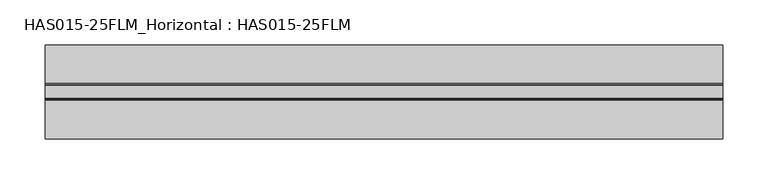
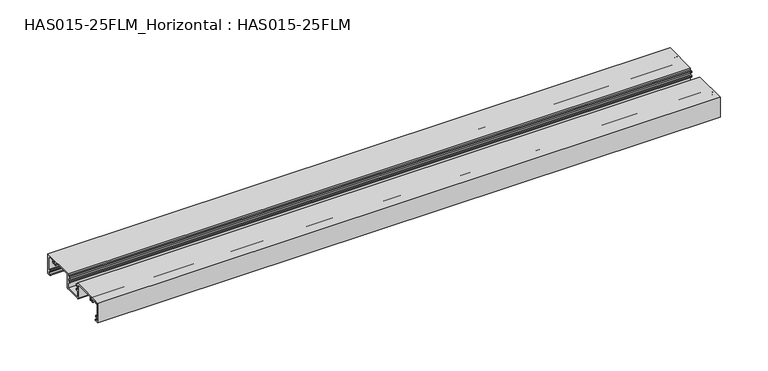
"""IFC4 building model written with IfcOpenShell, lengths in millimetres: beam geometry, HAS015-25FLM_Horizontal : HAS015-25FLM."""

from ifc_helpers import new_model, si_unit, point, frame, frame_2d, origin, place, context, project, spatial, polyline, circle_curve, trimmed, segment, composite_curve, outline, extrude, source, transform, mapped, element, save


def has015_25flm_horizontal_has015_25flm_f85ed749(model_context):
    return source(origin(), model_context, "Body", "SweptSolid", [
        extrude(outline(composite_curve([segment(polyline([(-9.7397316, -2.3590177), (-8.0332081, -2.3590177)]), True, "CONTINUOUS"), segment(trimmed(circle_curve(frame_2d((-8.0332081, -2.8609364)), 0.5019187), [point((-8.0332081, -2.3590177))], [point((-7.5312895, -2.8609364))], False, "CARTESIAN"), True, "CONTINUOUS"), segment(polyline([(-7.5312895, -2.8609364), (-7.5312895, -4.4663086)]), True, "CONTINUOUS"), segment(trimmed(circle_curve(frame_2d((-8.0332081, -4.4663086)), 0.5019187), [point((-7.5312895, -4.4663086))], [point((-8.5351268, -4.4663086))], False, "CARTESIAN"), True, "CONTINUOUS"), segment(polyline([(-8.5351268, -4.4663086), (-8.5351268, -3.6640062), (-9.940499, -3.6640062), (-9.940499, -9.0847277), (-8.5351268, -9.0847277), (-8.5351268, -8.2824253)]), True, "CONTINUOUS"), segment(trimmed(circle_curve(frame_2d((-8.0332081, -8.2824253)), 0.5019187), [point((-8.5351268, -8.2824253))], [point((-7.5312895, -8.2824253))], False, "CARTESIAN"), True, "CONTINUOUS"), segment(polyline([(-7.5312895, -8.2824253), (-7.5312895, -9.8877976)]), True, "CONTINUOUS"), segment(trimmed(circle_curve(frame_2d((-8.0332081, -9.8877976)), 0.5019187), [point((-7.5312895, -9.8877976))], [point((-8.0332081, -10.3897162))], False, "CARTESIAN"), True, "CONTINUOUS"), segment(polyline([(-8.0332081, -10.3897162), (-9.7397316, -10.3897162), (-9.7397316, -18.0188798), (9.7397316, -18.0188798), (9.7397316, -10.3897162), (8.0332081, -10.3897162)]), True, "CONTINUOUS"), segment(trimmed(circle_curve(frame_2d((8.0332081, -9.8877976)), 0.5019187), [point((8.0332081, -10.3897162))], [point((7.5312895, -9.8877976))], False, "CARTESIAN"), True, "CONTINUOUS"), segment(polyline([(7.5312895, -9.8877976), (7.5312895, -8.2824253)]), True, "CONTINUOUS"), segment(trimmed(circle_curve(frame_2d((8.0332081, -8.2824253)), 0.5019187), [point((7.5312895, -8.2824253))], [point((8.5351268, -8.2824253))], False, "CARTESIAN"), True, "CONTINUOUS"), segment(polyline([(8.5351268, -8.2824253), (8.5351268, -9.0847277), (9.940499, -9.0847277), (9.940499, -3.6640062), (8.5351268, -3.6640062), (8.5351268, -4.4663086)]), True, "CONTINUOUS"), segment(trimmed(circle_curve(frame_2d((8.0332081, -4.4663086)), 0.5019187), [point((8.5351268, -4.4663086))], [point((7.5312895, -4.4663086))], False, "CARTESIAN"), True, "CONTINUOUS"), segment(polyline([(7.5312895, -4.4663086), (7.5312895, -2.8609364)]), True, "CONTINUOUS"), segment(trimmed(circle_curve(frame_2d((8.0332081, -2.8609364)), 0.5019187), [point((7.5312895, -2.8609364))], [point((8.0332081, -2.3590177))], False, "CARTESIAN"), True, "CONTINUOUS"), segment(polyline([(8.0332081, -2.3590177), (9.7397316, -2.3590177), (9.7397316, 0.0), (51.998773, 0.0), (51.998773, -25.0959329), (47.6822725, -25.0959329)]), True, "CONTINUOUS"), segment(trimmed(circle_curve(frame_2d((47.6822725, -24.3932468)), 0.7026861), [point((47.6822725, -25.0959329))], [point((47.6822725, -23.6905607))], False, "CARTESIAN"), True, "CONTINUOUS"), segment(polyline([(47.6822725, -23.6905607), (50.6435926, -23.6905607), (50.6435926, -20.4280894), (48.9370692, -20.4280894)]), True, "CONTINUOUS"), segment(trimmed(circle_curve(frame_2d((48.9370692, -19.6250195)), 0.8030699), [point((48.9370692, -20.4280894))], [point((48.1339993, -19.6250195))], False, "CARTESIAN"), True, "CONTINUOUS"), segment(polyline([(48.1339993, -19.6250195), (48.1339993, -18.4204148)]), True, "CONTINUOUS"), segment(trimmed(circle_curve(frame_2d((48.635918, -18.4204148)), 0.5019187), [point((48.1339993, -18.4204148))], [point((49.1378366, -18.4204148))], False, "CARTESIAN"), True, "CONTINUOUS"), segment(polyline([(49.1378366, -18.4204148), (49.1378366, -19.4242521), (50.6435926, -19.4242521), (50.6435926, -1.3551804), (49.1378366, -1.3551804), (49.1378366, -2.3590177)]), True, "CONTINUOUS"), segment(trimmed(circle_curve(frame_2d((48.635918, -2.3590177)), 0.5019187), [point((49.1378366, -2.3590177))], [point((48.1339993, -2.3590177))], False, "CARTESIAN"), True, "CONTINUOUS"), segment(polyline([(48.1339993, -2.3590177), (48.1339993, -1.3551804), (41.4082317, -1.3551804)]), True, "CONTINUOUS"), segment(trimmed(circle_curve(frame_2d((38.9488879, -3.261885)), 3.1118957), [point((41.4082317, -1.3551804))], [point((41.283567, -5.3193515))], False, "CARTESIAN"), True, "CONTINUOUS"), segment(trimmed(circle_curve(frame_2d((40.7187253, -4.8215773)), 0.752878), [point((41.283567, -5.3193515))], [point((40.1538836, -4.3238032))], False, "CARTESIAN"), True, "CONTINUOUS"), segment(trimmed(circle_curve(frame_2d((38.9488879, -3.261885)), 1.6061397), [point((40.1538836, -4.3238032))], [point((38.9939217, -1.6563768))], True, "CARTESIAN"), True, "CONTINUOUS"), segment(trimmed(circle_curve(frame_2d((38.9488879, -3.261885)), 1.6061397), [point((38.9939217, -1.6563768))], [point((37.7438922, -4.3238032))], True, "CARTESIAN"), True, "CONTINUOUS"), segment(trimmed(circle_curve(frame_2d((37.1790505, -4.8215773)), 0.752878), [point((37.7438922, -4.3238032))], [point((36.6142088, -5.3193515))], False, "CARTESIAN"), True, "CONTINUOUS"), segment(trimmed(circle_curve(frame_2d((38.9488879, -3.261885)), 3.1118957), [point((36.6142088, -5.3193515))], [point((36.1372659, -1.9282147))], False, "CARTESIAN"), True, "CONTINUOUS"), segment(trimmed(circle_curve(frame_2d((35.7744765, -1.7561284)), 0.4015343), [point((36.1372659, -1.9282147))], [point((35.7744765, -1.3545941))], True, "CARTESIAN"), True, "CONTINUOUS"), segment(polyline([(35.7744765, -1.3545941), (11.2956794, -1.3545941), (11.2956794, -18.3702229)]), True, "CONTINUOUS"), segment(trimmed(circle_curve(frame_2d((10.0910746, -18.3702229)), 1.2046048), [point((11.2956794, -18.3702229))], [point((10.0910746, -19.5748277))], False, "CARTESIAN"), True, "CONTINUOUS"), segment(polyline([(10.0910746, -19.5748277), (-10.0910746, -19.5748277)]), True, "CONTINUOUS"), segment(trimmed(circle_curve(frame_2d((-10.0910746, -18.3702229)), 1.2046048), [point((-10.0910746, -19.5748277))], [point((-11.2956794, -18.3702229))], False, "CARTESIAN"), True, "CONTINUOUS"), segment(polyline([(-11.2956794, -18.3702229), (-11.2956794, -1.3545941), (-35.7744765, -1.3545941)]), True, "CONTINUOUS"), segment(trimmed(circle_curve(frame_2d((-35.7744765, -1.7561284)), 0.4015343), [point((-35.7744765, -1.3545941))], [point((-36.1372659, -1.9282147))], True, "CARTESIAN"), True, "CONTINUOUS"), segment(trimmed(circle_curve(frame_2d((-38.9488879, -3.261885)), 3.1118957), [point((-36.1372659, -1.9282147))], [point((-36.6142088, -5.3193515))], False, "CARTESIAN"), True, "CONTINUOUS"), segment(trimmed(circle_curve(frame_2d((-37.1790505, -4.8215773)), 0.752878), [point((-36.6142088, -5.3193515))], [point((-37.7438922, -4.3238032))], False, "CARTESIAN"), True, "CONTINUOUS"), segment(trimmed(circle_curve(frame_2d((-38.9488879, -3.261885)), 1.6061397), [point((-37.7438922, -4.3238032))], [point((-38.9185853, -1.6560312))], True, "CARTESIAN"), True, "CONTINUOUS"), segment(trimmed(circle_curve(frame_2d((-38.9488879, -3.261885)), 1.6061397), [point((-38.9185853, -1.6560312))], [point((-40.1538835, -4.3238032))], True, "CARTESIAN"), True, "CONTINUOUS"), segment(trimmed(circle_curve(frame_2d((-40.7187253, -4.8215773)), 0.752878), [point((-40.1538835, -4.3238032))], [point((-41.283567, -5.3193515))], False, "CARTESIAN"), True, "CONTINUOUS"), segment(trimmed(circle_curve(frame_2d((-38.9488879, -3.261885)), 3.1118957), [point((-41.283567, -5.3193515))], [point((-41.4077771, -1.3545941))], False, "CARTESIAN"), True, "CONTINUOUS"), segment(polyline([(-41.4077771, -1.3545941), (-48.1339993, -1.3545941), (-48.1339993, -2.3590177)]), True, "CONTINUOUS"), segment(trimmed(circle_curve(frame_2d((-48.635918, -2.3590177)), 0.5019187), [point((-48.1339993, -2.3590177))], [point((-49.1378366, -2.3590177))], False, "CARTESIAN"), True, "CONTINUOUS"), segment(polyline([(-49.1378366, -2.3590177), (-49.1378366, -1.3551804), (-50.6435926, -1.3551804), (-50.6435926, -19.4242521), (-49.1378366, -19.4242521), (-49.1378366, -18.4204148)]), True, "CONTINUOUS"), segment(trimmed(circle_curve(frame_2d((-48.635918, -18.4204148)), 0.5019187), [point((-49.1378366, -18.4204148))], [point((-48.1339993, -18.4204148))], False, "CARTESIAN"), True, "CONTINUOUS"), segment(polyline([(-48.1339993, -18.4204148), (-48.1339993, -19.6250195)]), True, "CONTINUOUS"), segment(trimmed(circle_curve(frame_2d((-48.9370692, -19.6250195)), 0.8030699), [point((-48.1339993, -19.6250195))], [point((-48.9370692, -20.4280894))], False, "CARTESIAN"), True, "CONTINUOUS"), segment(polyline([(-48.9370692, -20.4280894), (-50.6435926, -20.4280894), (-50.6435926, -23.6905607), (-47.6822725, -23.6905607)]), True, "CONTINUOUS"), segment(trimmed(circle_curve(frame_2d((-47.6822725, -24.3932468)), 0.7026861), [point((-47.6822725, -23.6905607))], [point((-47.6822725, -25.0959329))], False, "CARTESIAN"), True, "CONTINUOUS"), segment(polyline([(-47.6822725, -25.0959329), (-51.998773, -25.0959329), (-51.998773, 0.0), (-9.7397316, 0.0), (-9.7397316, -2.3590177)]), True, "CONTINUOUS")], self_intersect=False)), frame((-374.9040671, 0.0, 0.0), z_axis=(1.0, 0.0, 0.0), x_axis=(0.0, 1.0, 0.0)), (0.0, 0.0, 1.0), 749.8081342),
    ])


if __name__ == "__main__":
    model = new_model("IFC4")
    model_context = context("Model", 3, world=origin())
    ifc_project = project(units=[si_unit("LENGTHUNIT", "METRE", prefix="MILLI")], contexts=[model_context])
    site = spatial("IfcSite", under=ifc_project)
    building = spatial("IfcBuilding", under=site)
    placement = place(None, origin())
    has015_25flm_horizontal_has015_25flm_shape = has015_25flm_horizontal_has015_25flm_f85ed749(model_context)
    element("IfcBeam", 1, ObjectType="HAS015-25FLM_Horizontal : HAS015-25FLM", at=placement, inside=building, context=model_context, shape_type="MappedRepresentation", body=[
        mapped(has015_25flm_horizontal_has015_25flm_shape, transform((0.0, 0.0, 0.0), x_axis=(1.0, 0.0, 0.0), y_axis=(0.0, 1.0, 0.0), z_axis=(0.0, 0.0, 1.0))),
    ])
    save(model, "model.ifc")
